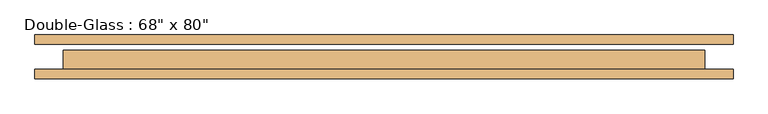
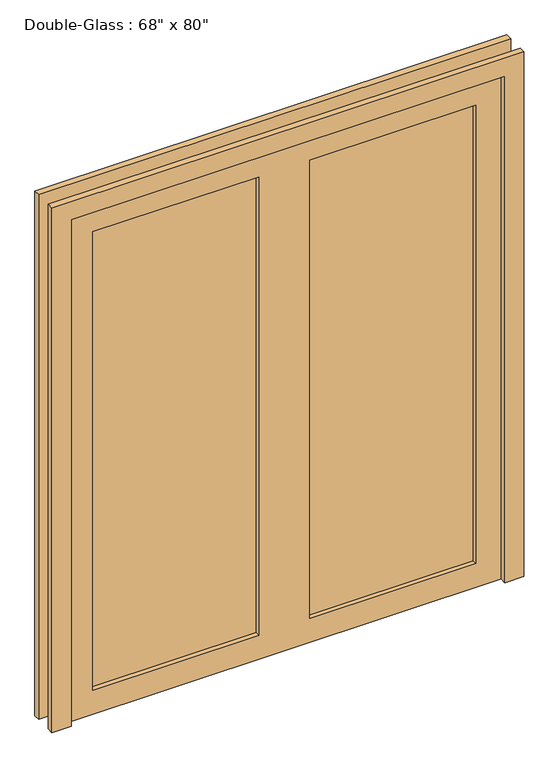
"""IFC4 building model written with IfcOpenShell, lengths in millimetres: door geometry."""

from ifc_helpers import new_model, si_unit, frame, origin, place, context, project, spatial, polyline, outline, extrude, source, transform, mapped, element, save


def door_b11ccb39(model_context):
    return source(origin(), model_context, "Body", "SweptSolid", [
        extrude(outline(polyline([(0.0, 939.8), (2209.8, 939.8), (2209.8, -939.8), (0.0, -939.8), (0.0, -863.6), (2133.6, -863.6), (2133.6, 863.6), (0.0, 863.6), (0.0, 939.8)])), frame((0.0, 30.95625, 0.0), z_axis=(0.0, 1.0, 0.0), x_axis=(0.0, 0.0, 1.0)), (0.0, 0.0, 1.0), 25.4),
        extrude(outline(polyline([(2133.6, 863.6), (0.0, 863.6), (0.0, 939.8), (2209.8, 939.8), (2209.8, -939.8), (0.0, -939.8), (0.0, -863.6), (2133.6, -863.6), (2133.6, 863.6)])), frame((0.0, -61.11875, 0.0), z_axis=(0.0, 1.0, 0.0), x_axis=(0.0, 0.0, 1.0)), (0.0, 0.0, 1.0), 25.4),
        extrude(outline(polyline([(762.0, -10.31875), (762.0, -17.4625), (101.6, -17.4625), (101.6, -10.31875), (762.0, -10.31875)])), frame((0.0, 0.0, 101.6), z_axis=(0.0, 0.0, 1.0), x_axis=(1.0, 0.0, 0.0)), (0.0, 0.0, 1.0), 1930.4),
        extrude(outline(polyline([(-101.6, -10.31875), (-101.6, -17.4625), (-762.0, -17.4625), (-762.0, -10.31875), (-101.6, -10.31875)])), frame((0.0, 0.0, 101.6), z_axis=(0.0, 0.0, 1.0), x_axis=(1.0, 0.0, 0.0)), (0.0, 0.0, 1.0), 1930.4),
        extrude(outline(polyline([(2133.6, 863.6), (2133.6, -863.6), (0.0, -863.6), (0.0, 863.6), (2133.6, 863.6)]), holes=[polyline([(2032.0, -101.6), (101.6, -101.6), (101.6, -762.0), (2032.0, -762.0), (2032.0, -101.6)]), polyline([(2032.0, 762.0), (101.6, 762.0), (101.6, 101.6), (2032.0, 101.6), (2032.0, 762.0)])]), frame((0.0, -35.71875, 0.0), z_axis=(0.0, 1.0, 0.0), x_axis=(0.0, 0.0, 1.0)), (0.0, 0.0, 1.0), 50.8),
    ])


if __name__ == "__main__":
    model = new_model("IFC4")
    model_context = context("Model", 3, world=origin())
    ifc_project = project(units=[si_unit("LENGTHUNIT", "METRE", prefix="MILLI")], contexts=[model_context])
    site = spatial("IfcSite", under=ifc_project)
    building = spatial("IfcBuilding", under=site)
    placement = place(None, origin())
    door_shape = door_b11ccb39(model_context)
    element("IfcDoor", 1, ObjectType="Double-Glass : 68\" x 80\"", at=placement, inside=building, context=model_context, shape_type="MappedRepresentation", body=[
        mapped(door_shape, transform((0.0, 0.0, 0.0), x_axis=(1.0, 0.0, 0.0), y_axis=(0.0, 1.0, 0.0), z_axis=(0.0, 0.0, 1.0))),
    ])
    save(model, "model.ifc")
